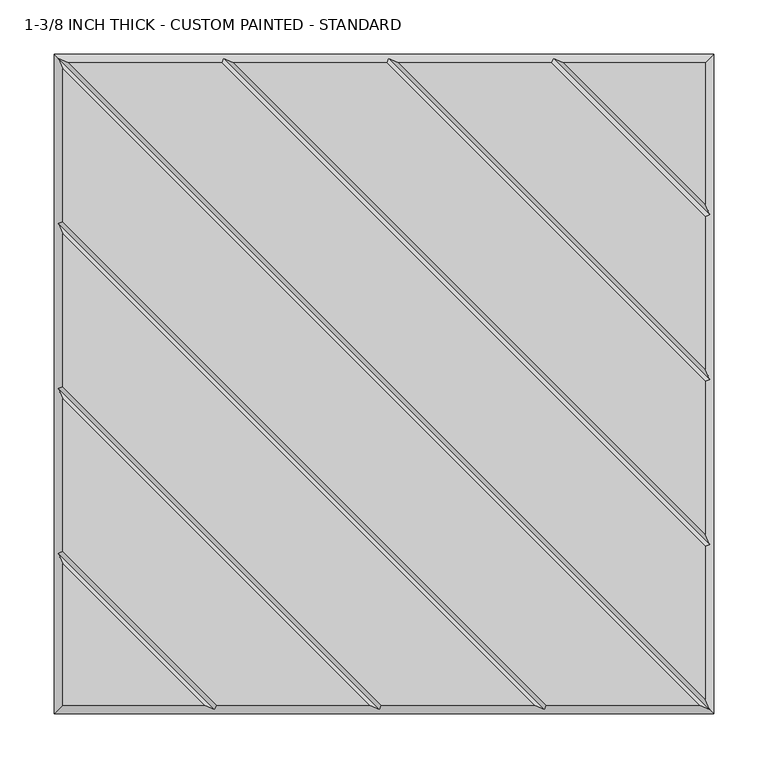
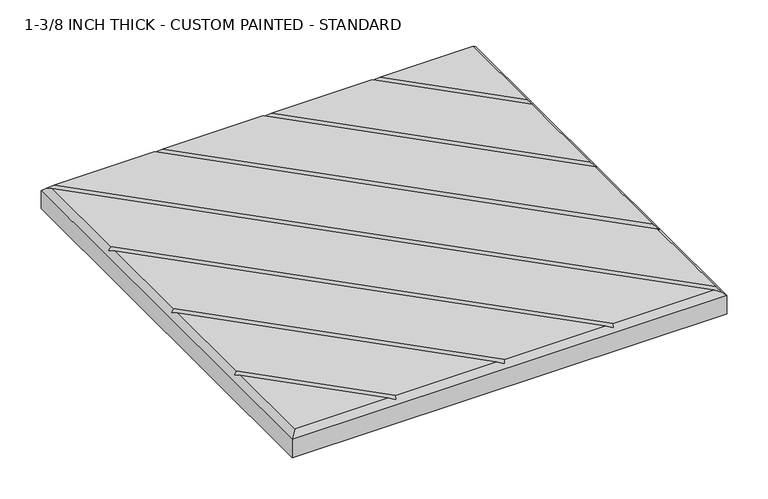
"""IFC4 building model written with IfcOpenShell, lengths in millimetres: proxy geometry, 1-3/8 INCH THICK - CUSTOM PAINTED - STANDARD."""

from ifc_helpers import new_model, si_unit, origin, place, context, project, spatial, faceted_brep, source, transform, mapped, element, save


def proxy_1_3_8_inch_thick_custom_painted_standard_ebd01e5f(model_context):
    return source(origin(), model_context, "Body", "Brep", [
        faceted_brep([(-291.1414386, 296.799, 34.925), (296.799, -291.1414386, 34.925), (296.799, -150.0565868, 34.925), (-150.0565868, 296.799, 34.925), (291.1414386, -296.799, 34.925), (-296.799, 291.1414386, 34.925), (-296.799, 150.0565868, 34.925), (150.0565868, -296.799, 34.925), (138.741464, -296.799, 34.925), (-296.799, 138.741464, 34.925), (-296.799, -2.3434132, 34.925), (-2.3434132, -296.799, 34.925), (-13.658536, -296.799, 34.925), (-296.799, -13.658536, 34.925), (-296.799, -154.7434132, 34.925), (-154.7434132, -296.799, 34.925), (-296.799, -166.058536, 34.925), (-296.799, -296.799, 34.925), (-166.058536, -296.799, 34.925), (-138.741464, 296.799, 34.925), (296.799, -138.741464, 34.925), (296.799, 2.3434132, 34.925), (2.3434132, 296.799, 34.925), (13.658536, 296.799, 34.925), (296.799, 13.658536, 34.925), (296.799, 154.7434132, 34.925), (154.7434132, 296.799, 34.925), (296.799, 296.799, 34.925), (166.058536, 296.799, 34.925), (296.799, 166.058536, 34.925), (-304.8, 304.8, 0.0), (304.8, 304.8, 0.0), (304.8, -304.8, 0.0), (-304.8, -304.8, 0.0), (-304.8, -304.8, 26.924), (-304.8, 304.8, 26.924), (304.8, -304.8, 26.924), (304.8, 304.8, 26.924), (-300.7995, 300.7995, 30.9245), (-148.3995254, 300.7995, 30.9245), (4.0004746, 300.7995, 30.9245), (156.4004746, 300.7995, 30.9245), (-300.7995, -156.4004746, 30.9245), (-300.7995, -4.0004746, 30.9245), (-300.7995, 148.3995254, 30.9245), (300.7995, -300.7995, 30.9245), (148.3995254, -300.7995, 30.9245), (-4.0004746, -300.7995, 30.9245), (-156.4004746, -300.7995, 30.9245), (300.7995, 156.4004746, 30.9245), (300.7995, 4.0004746, 30.9245), (300.7995, -148.3995254, 30.9245)], [[[0, 1, 2, 3]], [[4, 5, 6, 7]], [[8, 9, 10, 11]], [[12, 13, 14, 15]], [[16, 17, 18]], [[19, 20, 21, 22]], [[23, 24, 25, 26]], [[27, 28, 29]], [[30, 31, 32, 33]], [[30, 33, 34, 35]], [[33, 32, 36, 34]], [[32, 31, 37, 36]], [[31, 30, 35, 37]], [[27, 37, 35, 38, 0, 3, 39, 19, 22, 40, 23, 26, 41, 28]], [[34, 17, 16, 42, 14, 13, 43, 10, 9, 44, 6, 5, 38, 35]], [[17, 34, 36, 45, 4, 7, 46, 8, 11, 47, 12, 15, 48, 18]], [[37, 27, 29, 49, 25, 24, 50, 21, 20, 51, 2, 1, 45, 36]], [[38, 45, 1, 0]], [[45, 38, 5, 4]], [[44, 46, 7, 6]], [[46, 44, 9, 8]], [[43, 47, 11, 10]], [[47, 43, 13, 12]], [[42, 48, 15, 14]], [[48, 42, 16, 18]], [[51, 39, 3, 2]], [[39, 51, 20, 19]], [[50, 40, 22, 21]], [[40, 50, 24, 23]], [[49, 41, 26, 25]], [[41, 49, 29, 28]]]),
    ])


if __name__ == "__main__":
    model = new_model("IFC4")
    model_context = context("Model", 3, world=origin())
    ifc_project = project(units=[si_unit("LENGTHUNIT", "METRE", prefix="MILLI")], contexts=[model_context])
    site = spatial("IfcSite", under=ifc_project)
    building = spatial("IfcBuilding", under=site)
    placement = place(None, origin())
    proxy_1_3_8_inch_thick_custom_painted_standard_shape = proxy_1_3_8_inch_thick_custom_painted_standard_ebd01e5f(model_context)
    element("IfcBuildingElementProxy", 1, Name="1-3/8 INCH THICK - CUSTOM PAINTED - STANDARD", ObjectType="1-3/8 INCH THICK - CUSTOM PAINTED - STANDARD", at=placement, inside=building, context=model_context, shape_type="MappedRepresentation", body=[
        mapped(proxy_1_3_8_inch_thick_custom_painted_standard_shape, transform((0.0, 0.0, 0.0), x_axis=(1.0, 0.0, 0.0), y_axis=(0.0, 1.0, 0.0), z_axis=(0.0, 0.0, 1.0))),
    ])
    save(model, "model.ifc")
